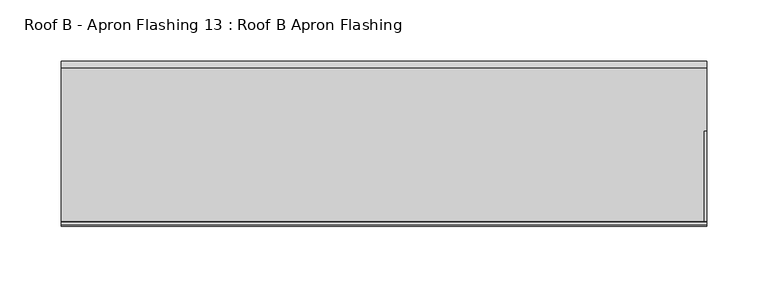
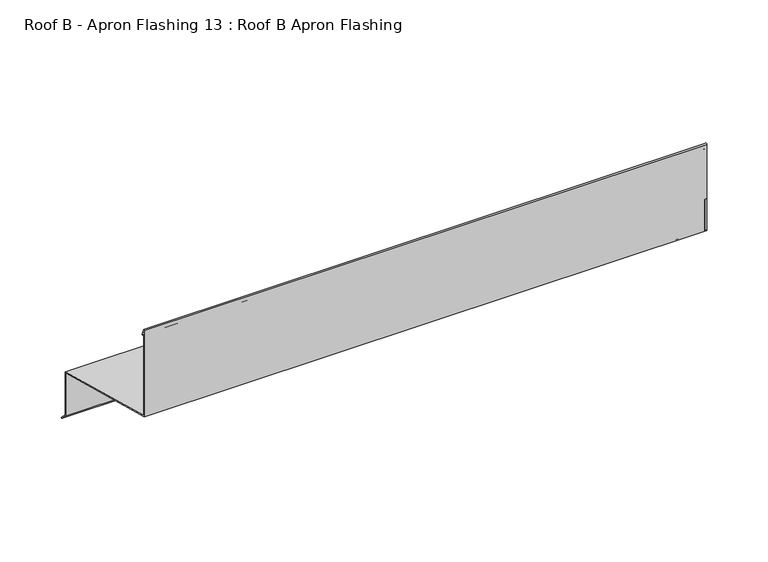
"""IFC4 building model written with IfcOpenShell, lengths in millimetres: proxy geometry, Roof B - Apron Flashing 13 : Roof B Apron Flashing."""

import ifcopenshell
import ifcopenshell.guid

model = None  # the IFC model being written
_history = None  # IfcOwnerHistory: only IFC2X3 demands one
_inside = {}  # id of a spatial element -> (the spatial element, [elements in it])
_under = {}  # id of a project, library or spatial element -> (it, [spatial elements below it])
_declared = {}  # id of a project -> (the project, [libraries it declares])
_typed = {}  # id of a type object -> (the type object, [elements of that type])
_made_of = {}  # id of a material, layer set ... -> (it, [elements and type objects made of it])


def new_model(schema):
    """Start an empty IFC model of exactly this schema.

    Asked for "IFC4X3", IfcOpenShell would pick the latest addendum, in which some entities
    have other attributes; the version numbers below select the first issue.
    IFC2X3 requires an IfcOwnerHistory on every rooted entity: one is made here for all.
    """
    global model, _history
    if schema == "IFC4X3":
        model = ifcopenshell.file(schema_version=(4, 3, 0, 0))
    else:
        model = ifcopenshell.file(schema=schema)
    _inside.clear()
    _under.clear()
    _declared.clear()
    _typed.clear()
    _made_of.clear()
    _history = None
    if model.schema == "IFC2X3":
        org = make("IfcOrganization", Name="unknown")
        user = make(
            "IfcPersonAndOrganization",
            ThePerson=make("IfcPerson", FamilyName="unknown"),
            TheOrganization=org,
        )
        app = make(
            "IfcApplication",
            ApplicationDeveloper=org,
            Version="unknown",
            ApplicationFullName="unknown",
            ApplicationIdentifier="unknown",
        )
        _history = make(
            "IfcOwnerHistory",
            OwningUser=user,
            OwningApplication=app,
            ChangeAction="ADDED",
            CreationDate=0,
        )
    return model


def make(cls, **values):
    """One entity of the class cls with the attributes given. An attribute that is None is left unset."""
    return model.create_entity(
        cls, **{name: value for name, value in values.items() if value is not None}
    )


def rooted(cls, **values):
    """An entity with a GlobalId (a new one), such as an element, a storey or a relation."""
    return make(cls, GlobalId=ifcopenshell.guid.new(), OwnerHistory=_history, **values)


def si_unit(unit_type, name, prefix=None):
    """IfcSIUnit, for example si_unit("LENGTHUNIT", "METRE", prefix="MILLI")."""
    return make("IfcSIUnit", UnitType=unit_type, Prefix=prefix, Name=name)


def assignment(units):
    """IfcUnitAssignment: the units of a project."""
    return None if units is None else make("IfcUnitAssignment", Units=units)


def point(xyz):
    """IfcCartesianPoint."""
    return None if xyz is None else make("IfcCartesianPoint", Coordinates=xyz)


def direction(xyz):
    """IfcDirection."""
    return None if xyz is None else make("IfcDirection", DirectionRatios=xyz)


def frame(location, z_axis=None, x_axis=None):
    """IfcAxis2Placement3D, a coordinate frame: its origin and axes. An axis left out is left unset."""
    return make(
        "IfcAxis2Placement3D",
        Location=point(location),
        Axis=direction(z_axis),
        RefDirection=direction(x_axis),
    )


def frame_2d(location, x_axis=None):
    """IfcAxis2Placement2D, a coordinate frame in the plane: its origin and x axis."""
    return make(
        "IfcAxis2Placement2D", Location=point(location), RefDirection=direction(x_axis)
    )


def origin():
    """The frame at (0, 0, 0) with its axes left unset."""
    return frame((0.0, 0.0, 0.0))


def place(relative_to, where):
    """IfcLocalPlacement: puts the frame where relative to a parent placement (None: the world)."""
    return make(
        "IfcLocalPlacement", PlacementRelTo=relative_to, RelativePlacement=where
    )


def context(
    kind, dimensions, precision=None, world=None, true_north=None, identifier=None
):
    """IfcGeometricRepresentationContext, for example the 3D "Model" context."""
    return make(
        "IfcGeometricRepresentationContext",
        ContextIdentifier=identifier,
        ContextType=kind,
        CoordinateSpaceDimension=dimensions,
        Precision=precision,
        WorldCoordinateSystem=world,
        TrueNorth=true_north,
    )


def project(units=None, contexts=None):
    """IfcProject with its units and contexts."""
    return rooted(
        "IfcProject",
        Name="project",
        RepresentationContexts=contexts,
        UnitsInContext=assignment(units),
    )


def spatial(cls, under=None, at=None, **own):
    """A site, building, storey or space (cls), placed at a placement, below another one or the project."""
    s = rooted(cls, ObjectPlacement=at, **own)
    if under is not None:
        _under.setdefault(under.id(), (under, []))[1].append(s)
    return s


def polyline(points):
    """IfcPolyline through the points."""
    return make("IfcPolyline", Points=[point(p) for p in points])


def circle_curve(where, radius):
    """IfcCircle in the frame where."""
    return make("IfcCircle", Position=where, Radius=radius)


def trimmed(basis, trim1, trim2, sense, master):
    """IfcTrimmedCurve: the piece of a basis curve between two trims."""
    return make(
        "IfcTrimmedCurve",
        BasisCurve=basis,
        Trim1=trim1,
        Trim2=trim2,
        SenseAgreement=sense,
        MasterRepresentation=master,
    )


def segment(curve, same_sense, transition):
    """IfcCompositeCurveSegment."""
    return make(
        "IfcCompositeCurveSegment",
        Transition=transition,
        SameSense=same_sense,
        ParentCurve=curve,
    )


def composite_curve(segments, self_intersect=None):
    """IfcCompositeCurve: segments joined end to end."""
    return make("IfcCompositeCurve", Segments=segments, SelfIntersect=self_intersect)


def outline(outer, holes=None, kind="AREA"):
    """IfcArbitraryClosedProfileDef: a profile drawn as a closed curve; with holes, ...WithVoids."""
    if holes is None:
        return make("IfcArbitraryClosedProfileDef", ProfileType=kind, OuterCurve=outer)
    return make(
        "IfcArbitraryProfileDefWithVoids",
        ProfileType=kind,
        OuterCurve=outer,
        InnerCurves=holes,
    )


def extrude(swept, where, along, depth):
    """IfcExtrudedAreaSolid: the profile swept, set in the frame where, extruded along a direction by depth."""
    return make(
        "IfcExtrudedAreaSolid",
        SweptArea=swept,
        Position=where,
        ExtrudedDirection=direction(along),
        Depth=depth,
    )


def shape(context_of_items, identifier, shape_type, items):
    """IfcShapeRepresentation: the items that make up one representation, for example the "Body"."""
    return make(
        "IfcShapeRepresentation",
        ContextOfItems=context_of_items,
        RepresentationIdentifier=identifier,
        RepresentationType=shape_type,
        Items=items,
    )


def source(mapping_origin, context_of_items, identifier, shape_type, items):
    """IfcRepresentationMap: a shape defined once, which mapped items show again and again."""
    return make(
        "IfcRepresentationMap",
        MappingOrigin=mapping_origin,
        MappedRepresentation=shape(context_of_items, identifier, shape_type, items),
    )


def transform(
    local_origin,
    x_axis=None,
    y_axis=None,
    z_axis=None,
    scale=None,
    scale2=None,
    scale3=None,
    uniform=True,
):
    """IfcCartesianTransformationOperator3D, or its non-uniform kind. x_axis, y_axis, z_axis: its Axis1, 2, 3."""
    if uniform:
        return make(
            "IfcCartesianTransformationOperator3D",
            Axis1=direction(x_axis),
            Axis2=direction(y_axis),
            LocalOrigin=point(local_origin),
            Scale=scale,
            Axis3=direction(z_axis),
        )
    return make(
        "IfcCartesianTransformationOperator3DnonUniform",
        Axis1=direction(x_axis),
        Axis2=direction(y_axis),
        LocalOrigin=point(local_origin),
        Scale=scale,
        Axis3=direction(z_axis),
        Scale2=scale2,
        Scale3=scale3,
    )


def mapped(mapping_source, mapping_target):
    """IfcMappedItem: shows the shape of a source again, moved by a transform."""
    return make(
        "IfcMappedItem", MappingSource=mapping_source, MappingTarget=mapping_target
    )


def made_of(thing, what):
    """Note that an element or type object is made of a material, layer set ...; save() writes the relation."""
    if what is not None:
        _made_of.setdefault(what.id(), (what, []))[1].append(thing)
    return thing


def element(
    cls,
    number,
    at=None,
    inside=None,
    cuts=None,
    type_object=None,
    material=None,
    context=None,
    identifier="Body",
    shape_type=None,
    held_by="IfcProductDefinitionShape",
    body=None,
    shapes=None,
    **own,
):
    """One element of the class cls, such as IfcWall. Its Tag is "e" and its number.

    at: its placement. inside: the storey or other place that contains it. cuts: it is an
    opening in that element (IfcRelVoidsElement). A single representation is given by context,
    identifier, shape_type and body (its items); several are given by shapes. held_by: the class
    of the entity that holds the representations. save() writes the other relations.
    """
    e = rooted(cls, Tag="e%d" % number, ObjectPlacement=at, **own)
    if body is not None:
        shapes = [shape(context, identifier, shape_type, body)]
    if shapes is not None:
        e.Representation = make(held_by, Representations=shapes)
    if inside is not None:
        _inside.setdefault(inside.id(), (inside, []))[1].append(e)
    if cuts is not None:
        rooted(
            "IfcRelVoidsElement", RelatingBuildingElement=cuts, RelatedOpeningElement=e
        )
    if type_object is not None:
        _typed.setdefault(type_object.id(), (type_object, []))[1].append(e)
    return made_of(e, material)


def aggregate(whole, parts):
    """IfcRelAggregates: a whole, such as a stair, and the parts it consists of."""
    return rooted("IfcRelAggregates", RelatingObject=whole, RelatedObjects=parts)


def save(model, path):
    """Write the relations noted so far, then the file.

    IfcRelAggregates (storeys below a building ...), IfcRelContainedInSpatialStructure (elements
    in a storey), IfcRelDefinesByType, IfcRelAssociatesMaterial and IfcRelDeclares: one each for
    every whole, place, type object, material and project.
    """
    for whole, parts in _under.values():
        aggregate(whole, parts)
    for where, things in _inside.values():
        rooted(
            "IfcRelContainedInSpatialStructure",
            RelatedElements=things,
            RelatingStructure=where,
        )
    for kind, things in _typed.values():
        rooted("IfcRelDefinesByType", RelatedObjects=things, RelatingType=kind)
    for what, things in _made_of.values():
        rooted("IfcRelAssociatesMaterial", RelatedObjects=things, RelatingMaterial=what)
    for by, libraries in _declared.values():
        rooted("IfcRelDeclares", RelatingContext=by, RelatedDefinitions=libraries)
    model.write(path)


def roof_b_apron_flashing_13_roof_b_apron_flashing_3fdaa6fa(model_context):
    return source(origin(), model_context, "Body", "SweptSolid", [
        extrude(outline(polyline([(673.2344915, -388.7215885), (627.9865096, -376.5974283), (627.9865096, -333.9762204), (673.2344915, -346.1003806), (673.2344915, -388.7215885)])), frame((12494.3541786, 0.0, 0.0), z_axis=(1.0, 0.0, 0.0), x_axis=(0.0, 1.0, 0.0)), (0.0, 0.0, 1.0), 2.0),
        extrude(outline(polyline([(622.9865096, -331.6011982), (544.8615096, -310.6676676), (544.8615096, -279.7934577), (622.9865096, -300.7269884), (622.9865096, -331.6011982)])), frame((12494.3541786, 0.0, 0.0), z_axis=(1.0, 0.0, 0.0), x_axis=(0.0, 1.0, 0.0)), (0.0, 0.0, 1.0), 2.0),
        extrude(outline(composite_curve([segment(polyline([(674.2344915, -345.3330536), (674.2344915, -388.338713), (680.2651268, -394.3693483), (679.55802, -395.0764551), (673.2344915, -388.7529266), (673.2344915, -346.1003806), (544.8615096, -311.7029438), (544.8615096, -225.8538686)]), True, "CONTINUOUS"), segment(trimmed(circle_curve(frame_2d((545.5405538, -225.8538686)), 0.6790442), [point((544.8615096, -225.8538686))], [point((546.1701526, -225.5994942))], False, "CARTESIAN"), True, "CONTINUOUS"), segment(polyline([(546.1701526, -225.5994942), (548.5846074, -231.5754797)]), True, "CONTINUOUS"), segment(trimmed(circle_curve(frame_2d((548.1210155, -231.762783)), 0.5), [point((548.5846074, -231.5754797))], [point((547.6574236, -231.9500863))], False, "CARTESIAN"), True, "CONTINUOUS"), segment(polyline([(547.6574236, -231.9500863), (545.8615096, -227.5050431), (545.8615096, -310.9356168), (674.2344915, -345.3330536)]), True, "CONTINUOUS")], self_intersect=False)), frame((11967.4791786, 0.0, 0.0), z_axis=(1.0, 0.0, 0.0), x_axis=(0.0, 1.0, 0.0)), (0.0, 0.0, 1.0), 528.875),
    ])


if __name__ == "__main__":
    model = new_model("IFC4")
    model_context = context("Model", 3, world=origin())
    ifc_project = project(units=[si_unit("LENGTHUNIT", "METRE", prefix="MILLI")], contexts=[model_context])
    site = spatial("IfcSite", under=ifc_project)
    building = spatial("IfcBuilding", under=site)
    placement = place(None, origin())
    roof_b_apron_flashing_13_roof_b_apron_flashing_shape = roof_b_apron_flashing_13_roof_b_apron_flashing_3fdaa6fa(model_context)
    element("IfcBuildingElementProxy", 1, Name="Roof B - Apron Flashing 13 : Roof B Apron Flashing", ObjectType="Roof B - Apron Flashing 13 : Roof B Apron Flashing", at=placement, inside=building, context=model_context, shape_type="MappedRepresentation", body=[
        mapped(roof_b_apron_flashing_13_roof_b_apron_flashing_shape, transform((0.0, 0.0, 0.0), x_axis=(1.0, 0.0, 0.0), y_axis=(0.0, 1.0, 0.0), z_axis=(0.0, 0.0, 1.0))),
    ])
    save(model, "model.ifc")
